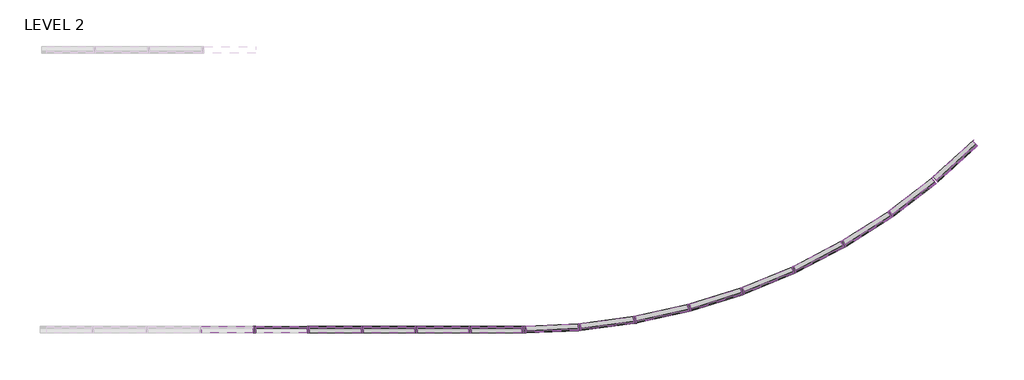
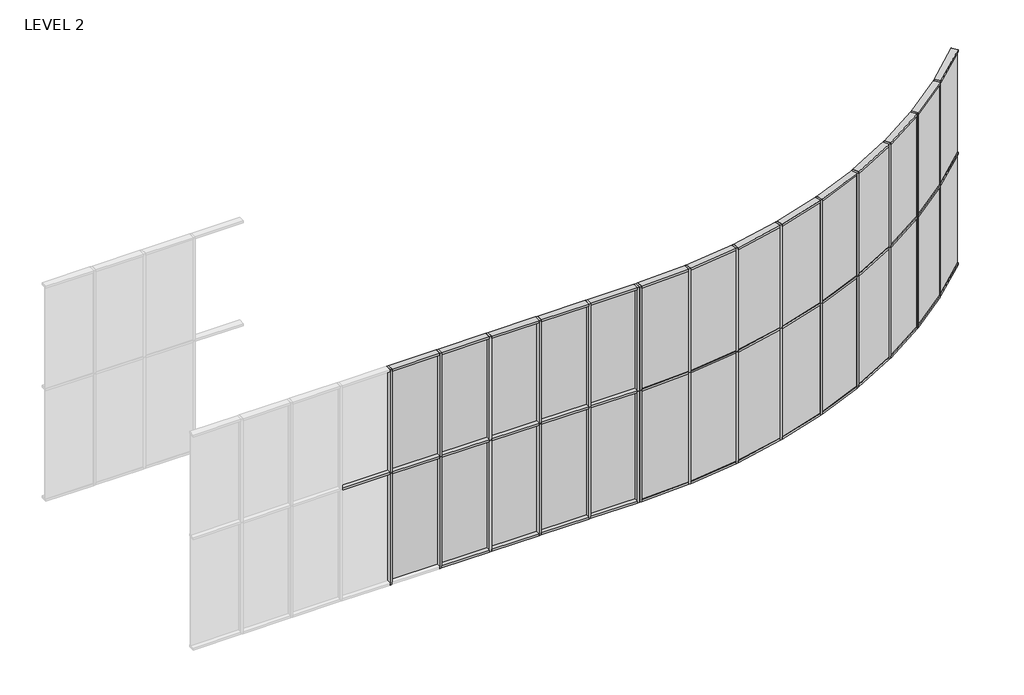
# One storey, part 5 of 16: 70 members, 28 plates.
"""IFC4 building model written with IfcOpenShell, lengths in millimetres."""

import ifcopenshell
import ifcopenshell.guid

model = None  # the IFC model being written
_history = None  # IfcOwnerHistory: only IFC2X3 demands one
_inside = {}  # id of a spatial element -> (the spatial element, [elements in it])
_under = {}  # id of a project, library or spatial element -> (it, [spatial elements below it])
_declared = {}  # id of a project -> (the project, [libraries it declares])
_typed = {}  # id of a type object -> (the type object, [elements of that type])
_made_of = {}  # id of a material, layer set ... -> (it, [elements and type objects made of it])


def new_model(schema):
    """Start an empty IFC model of exactly this schema.

    Asked for "IFC4X3", IfcOpenShell would pick the latest addendum, in which some entities
    have other attributes; the version numbers below select the first issue.
    IFC2X3 requires an IfcOwnerHistory on every rooted entity: one is made here for all.
    """
    global model, _history
    if schema == "IFC4X3":
        model = ifcopenshell.file(schema_version=(4, 3, 0, 0))
    else:
        model = ifcopenshell.file(schema=schema)
    _inside.clear()
    _under.clear()
    _declared.clear()
    _typed.clear()
    _made_of.clear()
    _history = None
    if model.schema == "IFC2X3":
        org = make("IfcOrganization", Name="unknown")
        user = make(
            "IfcPersonAndOrganization",
            ThePerson=make("IfcPerson", FamilyName="unknown"),
            TheOrganization=org,
        )
        app = make(
            "IfcApplication",
            ApplicationDeveloper=org,
            Version="unknown",
            ApplicationFullName="unknown",
            ApplicationIdentifier="unknown",
        )
        _history = make(
            "IfcOwnerHistory",
            OwningUser=user,
            OwningApplication=app,
            ChangeAction="ADDED",
            CreationDate=0,
        )
    return model


def make(cls, **values):
    """One entity of the class cls with the attributes given. An attribute that is None is left unset."""
    return model.create_entity(
        cls, **{name: value for name, value in values.items() if value is not None}
    )


def rooted(cls, **values):
    """An entity with a GlobalId (a new one), such as an element, a storey or a relation."""
    return make(cls, GlobalId=ifcopenshell.guid.new(), OwnerHistory=_history, **values)


def si_unit(unit_type, name, prefix=None):
    """IfcSIUnit, for example si_unit("LENGTHUNIT", "METRE", prefix="MILLI")."""
    return make("IfcSIUnit", UnitType=unit_type, Prefix=prefix, Name=name)


def assignment(units):
    """IfcUnitAssignment: the units of a project."""
    return None if units is None else make("IfcUnitAssignment", Units=units)


def point(xyz):
    """IfcCartesianPoint."""
    return None if xyz is None else make("IfcCartesianPoint", Coordinates=xyz)


def direction(xyz):
    """IfcDirection."""
    return None if xyz is None else make("IfcDirection", DirectionRatios=xyz)


def frame(location, z_axis=None, x_axis=None):
    """IfcAxis2Placement3D, a coordinate frame: its origin and axes. An axis left out is left unset."""
    return make(
        "IfcAxis2Placement3D",
        Location=point(location),
        Axis=direction(z_axis),
        RefDirection=direction(x_axis),
    )


def origin():
    """The frame at (0, 0, 0) with its axes left unset."""
    return frame((0.0, 0.0, 0.0))


def origin_with_axes():
    """The frame at (0, 0, 0) with the z axis (0, 0, 1) and the x axis (1, 0, 0) written out."""
    return frame((0.0, 0.0, 0.0), z_axis=(0.0, 0.0, 1.0), x_axis=(1.0, 0.0, 0.0))


def place(relative_to, where):
    """IfcLocalPlacement: puts the frame where relative to a parent placement (None: the world)."""
    return make(
        "IfcLocalPlacement", PlacementRelTo=relative_to, RelativePlacement=where
    )


def context(
    kind, dimensions, precision=None, world=None, true_north=None, identifier=None
):
    """IfcGeometricRepresentationContext, for example the 3D "Model" context."""
    return make(
        "IfcGeometricRepresentationContext",
        ContextIdentifier=identifier,
        ContextType=kind,
        CoordinateSpaceDimension=dimensions,
        Precision=precision,
        WorldCoordinateSystem=world,
        TrueNorth=true_north,
    )


def project(units=None, contexts=None):
    """IfcProject with its units and contexts."""
    return rooted(
        "IfcProject",
        Name="project",
        RepresentationContexts=contexts,
        UnitsInContext=assignment(units),
    )


def spatial(cls, under=None, at=None, **own):
    """A site, building, storey or space (cls), placed at a placement, below another one or the project."""
    s = rooted(cls, ObjectPlacement=at, **own)
    if under is not None:
        _under.setdefault(under.id(), (under, []))[1].append(s)
    return s


def polyline(points):
    """IfcPolyline through the points."""
    return make("IfcPolyline", Points=[point(p) for p in points])


def outline(outer, holes=None, kind="AREA"):
    """IfcArbitraryClosedProfileDef: a profile drawn as a closed curve; with holes, ...WithVoids."""
    if holes is None:
        return make("IfcArbitraryClosedProfileDef", ProfileType=kind, OuterCurve=outer)
    return make(
        "IfcArbitraryProfileDefWithVoids",
        ProfileType=kind,
        OuterCurve=outer,
        InnerCurves=holes,
    )


def extrude(swept, where, along, depth):
    """IfcExtrudedAreaSolid: the profile swept, set in the frame where, extruded along a direction by depth."""
    return make(
        "IfcExtrudedAreaSolid",
        SweptArea=swept,
        Position=where,
        ExtrudedDirection=direction(along),
        Depth=depth,
    )


def faces_of(points, faces, orient=None, outer=None):
    """IfcFace entities. A face is a list of loops; a loop is a list of indices into points, from 0.

    orient and outer hold one flag for each loop. By default every Orientation is true, the
    first loop of a face is its IfcFaceOuterBound and the others are IfcFaceBound.
    """
    made = []
    for i, loops in enumerate(faces):
        bounds = []
        for j, loop in enumerate(loops):
            is_outer = j == 0 if outer is None else outer[i][j]
            bounds.append(
                make(
                    "IfcFaceOuterBound" if is_outer else "IfcFaceBound",
                    Bound=make("IfcPolyLoop", Polygon=[points[k] for k in loop]),
                    Orientation=True if orient is None else orient[i][j],
                )
            )
        made.append(make("IfcFace", Bounds=bounds))
    return made


def faceted_brep(points, faces, orient=None, outer=None, voids=None):
    """IfcFacetedBrep: a solid bounded by flat faces; with voids (closed shells), ...WithVoids."""
    shared = [point(p) for p in points]
    hull = make("IfcClosedShell", CfsFaces=faces_of(shared, faces, orient, outer))
    if voids is None:
        return make("IfcFacetedBrep", Outer=hull)
    return make(
        "IfcFacetedBrepWithVoids",
        Outer=hull,
        Voids=[
            make(cls, CfsFaces=faces_of(shared, fs, o, b)) for cls, fs, o, b in voids
        ],
    )


def shape(context_of_items, identifier, shape_type, items):
    """IfcShapeRepresentation: the items that make up one representation, for example the "Body"."""
    return make(
        "IfcShapeRepresentation",
        ContextOfItems=context_of_items,
        RepresentationIdentifier=identifier,
        RepresentationType=shape_type,
        Items=items,
    )


def source(mapping_origin, context_of_items, identifier, shape_type, items):
    """IfcRepresentationMap: a shape defined once, which mapped items show again and again."""
    return make(
        "IfcRepresentationMap",
        MappingOrigin=mapping_origin,
        MappedRepresentation=shape(context_of_items, identifier, shape_type, items),
    )


def transform(
    local_origin,
    x_axis=None,
    y_axis=None,
    z_axis=None,
    scale=None,
    scale2=None,
    scale3=None,
    uniform=True,
):
    """IfcCartesianTransformationOperator3D, or its non-uniform kind. x_axis, y_axis, z_axis: its Axis1, 2, 3."""
    if uniform:
        return make(
            "IfcCartesianTransformationOperator3D",
            Axis1=direction(x_axis),
            Axis2=direction(y_axis),
            LocalOrigin=point(local_origin),
            Scale=scale,
            Axis3=direction(z_axis),
        )
    return make(
        "IfcCartesianTransformationOperator3DnonUniform",
        Axis1=direction(x_axis),
        Axis2=direction(y_axis),
        LocalOrigin=point(local_origin),
        Scale=scale,
        Axis3=direction(z_axis),
        Scale2=scale2,
        Scale3=scale3,
    )


def mapped(mapping_source, mapping_target):
    """IfcMappedItem: shows the shape of a source again, moved by a transform."""
    return make(
        "IfcMappedItem", MappingSource=mapping_source, MappingTarget=mapping_target
    )


def made_of(thing, what):
    """Note that an element or type object is made of a material, layer set ...; save() writes the relation."""
    if what is not None:
        _made_of.setdefault(what.id(), (what, []))[1].append(thing)
    return thing


def element(
    cls,
    number,
    at=None,
    inside=None,
    cuts=None,
    type_object=None,
    material=None,
    context=None,
    identifier="Body",
    shape_type=None,
    held_by="IfcProductDefinitionShape",
    body=None,
    shapes=None,
    **own,
):
    """One element of the class cls, such as IfcWall. Its Tag is "e" and its number.

    at: its placement. inside: the storey or other place that contains it. cuts: it is an
    opening in that element (IfcRelVoidsElement). A single representation is given by context,
    identifier, shape_type and body (its items); several are given by shapes. held_by: the class
    of the entity that holds the representations. save() writes the other relations.
    """
    e = rooted(cls, Tag="e%d" % number, ObjectPlacement=at, **own)
    if body is not None:
        shapes = [shape(context, identifier, shape_type, body)]
    if shapes is not None:
        e.Representation = make(held_by, Representations=shapes)
    if inside is not None:
        _inside.setdefault(inside.id(), (inside, []))[1].append(e)
    if cuts is not None:
        rooted(
            "IfcRelVoidsElement", RelatingBuildingElement=cuts, RelatedOpeningElement=e
        )
    if type_object is not None:
        _typed.setdefault(type_object.id(), (type_object, []))[1].append(e)
    return made_of(e, material)


def aggregate(whole, parts):
    """IfcRelAggregates: a whole, such as a stair, and the parts it consists of."""
    return rooted("IfcRelAggregates", RelatingObject=whole, RelatedObjects=parts)


def save(model, path):
    """Write the relations noted so far, then the file.

    IfcRelAggregates (storeys below a building ...), IfcRelContainedInSpatialStructure (elements
    in a storey), IfcRelDefinesByType, IfcRelAssociatesMaterial and IfcRelDeclares: one each for
    every whole, place, type object, material and project.
    """
    for whole, parts in _under.values():
        aggregate(whole, parts)
    for where, things in _inside.values():
        rooted(
            "IfcRelContainedInSpatialStructure",
            RelatedElements=things,
            RelatingStructure=where,
        )
    for kind, things in _typed.values():
        rooted("IfcRelDefinesByType", RelatedObjects=things, RelatingType=kind)
    for what, things in _made_of.values():
        rooted("IfcRelAssociatesMaterial", RelatedObjects=things, RelatingMaterial=what)
    for by, libraries in _declared.values():
        rooted("IfcRelDeclares", RelatingContext=by, RelatedDefinitions=libraries)
    model.write(path)


def member_20b68123(model_context):
    return source(origin(), model_context, "Body", "SweptSolid", [
        extrude(outline(polyline([(19.05, 57.15), (19.05, -57.15), (-19.05, -57.15), (-19.05, 57.15), (19.05, 57.15)])), frame((0.0, 0.0, -2133.6), z_axis=(0.0, 0.0, 1.0), x_axis=(1.0, 0.0, 0.0)), (0.0, 0.0, 1.0), 2133.6),
    ])


def member_93bd2cc1(model_context):
    return source(origin(), model_context, "Body", "SweptSolid", [
        extrude(outline(polyline([(0.0, 57.15), (0.0, -57.15), (-38.1, -57.15), (-38.1, 57.15), (0.0, 57.15)])), frame((0.0, 0.0, -2133.6), z_axis=(0.0, 0.0, 1.0), x_axis=(1.0, 0.0, 0.0)), (0.0, 0.0, 1.0), 2133.6),
    ])


def member_2f7a45a5(model_context):
    return source(origin(), model_context, "Body", "SweptSolid", [
        extrude(outline(polyline([(19.05, 57.15), (19.05, -57.15), (-19.05, -57.15), (-19.05, 57.15), (19.05, 57.15)])), frame((0.0, 0.0, -1981.2), z_axis=(0.0, 0.0, 1.0), x_axis=(1.0, 0.0, 0.0)), (0.0, 0.0, 1.0), 1981.2),
    ])


def member_5928fb24(model_context):
    return source(origin(), model_context, "Body", "SweptSolid", [
        extrude(outline(polyline([(0.0, 57.15), (0.0, -57.15), (-38.1, -57.15), (-38.1, 57.15), (0.0, 57.15)])), frame((0.0, 0.0, -1981.2), z_axis=(0.0, 0.0, 1.0), x_axis=(1.0, 0.0, 0.0)), (0.0, 0.0, 1.0), 1981.2),
    ])


def member_11093bfb(model_context):
    return source(origin(), model_context, "Body", "SweptSolid", [
        extrude(outline(polyline([(-57.15, 0.0), (57.15, 0.0), (57.15, -891.3162314), (56.2646565, -871.0385322), (-57.15, -875.9903231), (-57.15, 0.0)])), frame((-38.1, 0.0, 0.0), z_axis=(1.0, 0.0, 0.0), x_axis=(0.0, 1.0, 0.0)), (0.0, 0.0, 1.0), 38.1),
    ])


def member_e831dd52(model_context):
    return source(origin(), model_context, "Body", "SweptSolid", [
        extrude(outline(polyline([(-57.15, 2.4770742), (56.2646565, -2.4747166), (57.15, 17.8029826), (57.15, -910.3662314), (56.2646565, -890.0885322), (-57.15, -895.0403231), (-57.15, 2.4770742)])), frame((-38.1, 0.0, 0.0), z_axis=(1.0, 0.0, 0.0), x_axis=(0.0, 1.0, 0.0)), (0.0, 0.0, 1.0), 38.1),
    ])


def member_f152665a(model_context):
    return source(origin(), model_context, "Body", "SweptSolid", [
        extrude(outline(polyline([(-57.15, 2.4770742), (56.2646565, -2.4747166), (57.15, 17.8029826), (57.15, -873.5132488), (-57.15, -873.5132488), (-57.15, 2.4770742)])), frame((-38.1, 0.0, 0.0), z_axis=(1.0, 0.0, 0.0), x_axis=(0.0, 1.0, 0.0)), (0.0, 0.0, 1.0), 38.1),
    ])


def member_7a610633(model_context):
    return source(origin(), model_context, "Body", "Brep", [
        faceted_brep([(-19.05, 57.15, 17.8029826), (0.0, 57.15, 17.8029826), (19.05, 57.15, 17.8029826), (19.05, 57.15, -910.3662314), (0.0, 57.15, -910.3662314), (-19.05, 57.15, -910.3662314), (-19.05, -57.15, 2.4770742), (-19.05, 56.2646565, -2.4747166), (-19.05, 56.2646565, -890.0885322), (-19.05, -57.15, -895.0403231), (19.05, -57.15, 2.4770742), (0.0, -57.15, 2.4770742), (0.0, -57.15, -895.0403231), (19.05, -57.15, -895.0403231), (19.05, 56.2646565, -2.4747166), (19.05, 56.2646565, -890.0885322), (0.0, 56.2646565, -2.4747166), (0.0, 56.2646565, -890.0885322)], [[[0, 1, 2, 3, 4, 5]], [[6, 7, 0, 5, 8, 9]], [[10, 11, 6, 9, 12, 13]], [[2, 14, 10, 13, 15, 3]], [[2, 1, 16, 14]], [[1, 0, 7, 16]], [[7, 6, 11, 16]], [[11, 10, 14, 16]], [[3, 15, 17, 4]], [[15, 13, 12, 17]], [[12, 9, 8, 17]], [[8, 5, 4, 17]]]),
    ])


def member_5313ab74(model_context):
    return source(origin(), model_context, "Body", "Brep", [
        faceted_brep([(19.05, 57.15, 0.0), (-19.05, 57.15, 0.0), (-19.05, -57.15, 0.0), (19.05, -57.15, 0.0), (19.05, 57.15, -891.3162314), (0.0, 57.15, -891.3162314), (-19.05, 57.15, -891.3162314), (-19.05, 56.2646565, -871.0385322), (-19.05, -57.15, -875.9903231), (0.0, -57.15, -875.9903231), (19.05, -57.15, -875.9903231), (19.05, 56.2646565, -871.0385322), (0.0, 56.2646565, -871.0385322)], [[[0, 1, 2, 3]], [[1, 0, 4, 5, 6]], [[2, 1, 6, 7, 8]], [[3, 2, 8, 9, 10]], [[0, 3, 10, 11, 4]], [[4, 11, 12, 5]], [[11, 10, 9, 12]], [[9, 8, 7, 12]], [[7, 6, 5, 12]]]),
    ])


def member_4ec198a1(model_context):
    return source(origin(), model_context, "Body", "SweptSolid", [
        extrude(outline(polyline([(0.0, 57.15), (0.0, -57.15), (-38.1, -57.15), (-38.1, 57.15), (0.0, 57.15)])), frame((0.0, 0.0, -842.1169147), z_axis=(0.0, 0.0, 1.0), x_axis=(1.0, 0.0, 0.0)), (0.0, 0.0, 1.0), 842.1169147),
    ])


def member_e6e2c493(model_context):
    return source(origin(), model_context, "Body", "SweptSolid", [
        extrude(outline(polyline([(0.0, 57.15), (0.0, -57.15), (-38.1, -57.15), (-38.1, 57.15), (0.0, 57.15)])), frame((0.0, 0.0, -861.1669147), z_axis=(0.0, 0.0, 1.0), x_axis=(1.0, 0.0, 0.0)), (0.0, 0.0, 1.0), 861.1669147),
    ])


def member_32cdfbda(model_context):
    return source(origin(), model_context, "Body", "SweptSolid", [
        extrude(outline(polyline([(19.05, 57.15), (19.05, -57.15), (-19.05, -57.15), (-19.05, 57.15), (19.05, 57.15)])), frame((0.0, 0.0, -842.1169147), z_axis=(0.0, 0.0, 1.0), x_axis=(1.0, 0.0, 0.0)), (0.0, 0.0, 1.0), 842.1169147),
    ])


def member_158e84af(model_context):
    return source(origin(), model_context, "Body", "SweptSolid", [
        extrude(outline(polyline([(19.05, 57.15), (19.05, -57.15), (-19.05, -57.15), (-19.05, 57.15), (19.05, 57.15)])), frame((0.0, 0.0, -861.1669147), z_axis=(0.0, 0.0, 1.0), x_axis=(1.0, 0.0, 0.0)), (0.0, 0.0, 1.0), 861.1669147),
    ])


def system_panel_glazed_23d25534(model_context):
    return source(origin(), model_context, "Body", "SweptSolid", [
        extrude(outline(polyline([(436.7566244, 19.05), (-436.7566244, 19.05), (-436.7566244, 44.45), (436.7566244, 44.45), (436.7566244, 19.05)])), origin_with_axes(), (0.0, 0.0, 1.0), 2076.45),
    ])


def system_panel_glazed_475435c1(model_context):
    return source(origin(), model_context, "Body", "SweptSolid", [
        extrude(outline(polyline([(446.2816244, 19.05), (-446.2816244, 19.05), (-446.2816244, 44.45), (446.2816244, 44.45), (446.2816244, 19.05)])), origin_with_axes(), (0.0, 0.0, 1.0), 2076.45),
    ])


def system_panel_glazed_47734797(model_context):
    return source(origin(), model_context, "Body", "SweptSolid", [
        extrude(outline(polyline([(436.7566244, 19.05), (-436.7566244, 19.05), (-436.7566244, 44.45), (436.7566244, 44.45), (436.7566244, 19.05)])), origin_with_axes(), (0.0, 0.0, 1.0), 1924.05),
    ])


def system_panel_glazed_058de248(model_context):
    return source(origin(), model_context, "Body", "SweptSolid", [
        extrude(outline(polyline([(446.2816244, 19.05), (-446.2816244, 19.05), (-446.2816244, 44.45), (446.2816244, 44.45), (446.2816244, 19.05)])), origin_with_axes(), (0.0, 0.0, 1.0), 1924.05),
    ])


def system_panel_glazed_46ad0ba9(model_context):
    return source(origin(), model_context, "Body", "SweptSolid", [
        extrude(outline(polyline([(421.0584573, 19.05), (-421.0584573, 19.05), (-421.0584573, 44.45), (421.0584573, 44.45), (421.0584573, 19.05)])), origin_with_axes(), (0.0, 0.0, 1.0), 2076.45),
    ])


def system_panel_glazed_39d7c801(model_context):
    return source(origin(), model_context, "Body", "SweptSolid", [
        extrude(outline(polyline([(430.5834573, 19.05), (-430.5834573, 19.05), (-430.5834573, 44.45), (430.5834573, 44.45), (430.5834573, 19.05)])), origin_with_axes(), (0.0, 0.0, 1.0), 2076.45),
    ])


def system_panel_glazed_87e301de(model_context):
    return source(origin(), model_context, "Body", "SweptSolid", [
        extrude(outline(polyline([(421.0584573, 19.05), (-421.0584573, 19.05), (-421.0584573, 44.45), (421.0584573, 44.45), (421.0584573, 19.05)])), origin_with_axes(), (0.0, 0.0, 1.0), 1924.05),
    ])


def system_panel_glazed_8509a62c(model_context):
    return source(origin(), model_context, "Body", "SweptSolid", [
        extrude(outline(polyline([(430.5834573, 19.05), (-430.5834573, 19.05), (-430.5834573, 44.45), (430.5834573, 44.45), (430.5834573, 19.05)])), origin_with_axes(), (0.0, 0.0, 1.0), 1924.05),
    ])


model = new_model("IFC4")

# Units and contexts
model_context = context("Model", 3, world=origin())
ifc_project = project(units=[si_unit("LENGTHUNIT", "METRE", prefix="MILLI")], contexts=[model_context])

# Site, building, storey
site = spatial("IfcSite", under=ifc_project)
building = spatial("IfcBuilding", under=site)
storey = spatial("IfcBuildingStorey", under=building, Name="LEVEL 2", Elevation=4267.2)

# Members
placement = place(None, origin())
member_shape = member_20b68123(model_context)
element("IfcMember", 1, ObjectType="Rectangular Mullion : 1.5\" x 2.5\" rectangular", at=placement, inside=storey, context=model_context, shape_type="MappedRepresentation", body=[
    mapped(member_shape, transform((256726.9434531, -571122.9627525, 4267.2), x_axis=(1.0, 0.0, 0.0), y_axis=(0.0, -1.0, 0.0), z_axis=(0.0, 0.0, -1.0))),
])
element("IfcMember", 2, ObjectType="Rectangular Mullion : 1.5\" x 2.5\" rectangular", at=placement, inside=storey, context=model_context, shape_type="MappedRepresentation", body=[
    mapped(member_shape, transform((257626.2103678, -571122.9627525, 4267.2), x_axis=(1.0, 0.0, 0.0), y_axis=(0.0, -1.0, 0.0), z_axis=(0.0, 0.0, -1.0))),
])
element("IfcMember", 3, ObjectType="Rectangular Mullion : 1.5\" x 2.5\" rectangular", at=placement, inside=storey, context=model_context, shape_type="MappedRepresentation", body=[
    mapped(member_shape, transform((258525.4772825, -571122.9627525, 4267.2), x_axis=(1.0, 0.0, 0.0), y_axis=(0.0, -1.0, 0.0), z_axis=(0.0, 0.0, -1.0))),
])
element("IfcMember", 4, ObjectType="Rectangular Mullion : 1.5\" x 2.5\" rectangular", at=placement, inside=storey, context=model_context, shape_type="MappedRepresentation", body=[
    mapped(member_shape, transform((259424.7441972, -571122.9627525, 4267.2), x_axis=(1.0, 0.0, 0.0), y_axis=(0.0, -1.0, 0.0), z_axis=(0.0, 0.0, -1.0))),
])
element("IfcMember", 5, ObjectType="Rectangular Mullion : 1.5\" x 2.5\" rectangular", at=placement, inside=storey, context=model_context, shape_type="MappedRepresentation", body=[
    mapped(member_shape, transform((260324.0111118, -571122.9627525, 4267.2), x_axis=(1.0, 0.0, 0.0), y_axis=(0.0, -1.0, 0.0), z_axis=(0.0, 0.0, -1.0))),
])
element("IfcMember", 6, ObjectType="Rectangular Mullion : 1.5\" x 2.5\" rectangular", at=placement, inside=storey, context=model_context, shape_type="MappedRepresentation", body=[
    mapped(member_shape, transform((267342.1914495, -569193.676761, 4267.2), x_axis=(-0.8191520442889964, -0.5735764363510395, 0.0), y_axis=(-0.5735764363510395, 0.8191520442889964, 0.0), z_axis=(0.0, 0.0, -1.0))),
])
element("IfcMember", 7, ObjectType="Rectangular Mullion : 1.5\" x 2.5\" rectangular", at=placement, inside=storey, context=model_context, shape_type="MappedRepresentation", body=[
    mapped(member_shape, transform((266557.2780265, -569693.7217601, 4267.2), x_axis=(-0.8660254037844439, -0.49999999999999084, 0.0), y_axis=(-0.49999999999999084, 0.8660254037844439, 0.0), z_axis=(0.0, 0.0, -1.0))),
])
element("IfcMember", 8, ObjectType="Rectangular Mullion : 1.5\" x 2.5\" rectangular", at=placement, inside=storey, context=model_context, shape_type="MappedRepresentation", body=[
    mapped(member_shape, transform((265731.7696428, -570123.4542246, 4267.2), x_axis=(-0.9063077870366533, -0.4226182617406924, 0.0), y_axis=(-0.4226182617406924, 0.9063077870366533, 0.0), z_axis=(0.0, 0.0, -1.0))),
])
element("IfcMember", 9, ObjectType="Rectangular Mullion : 1.5\" x 2.5\" rectangular", at=placement, inside=storey, context=model_context, shape_type="MappedRepresentation", body=[
    mapped(member_shape, transform((264871.9489155, -570479.603631, 4267.2), x_axis=(-0.9396926207859108, -0.34202014332566233, 0.0), y_axis=(-0.34202014332566233, 0.9396926207859108, 0.0), z_axis=(0.0, 0.0, -1.0))),
])
element("IfcMember", 10, ObjectType="Rectangular Mullion : 1.5\" x 2.5\" rectangular", at=placement, inside=storey, context=model_context, shape_type="MappedRepresentation", body=[
    mapped(member_shape, transform((263984.3595997, -570759.4594673, 4267.2), x_axis=(-0.9659258262890712, -0.25881904510250997, 0.0), y_axis=(-0.25881904510250997, 0.9659258262890712, 0.0), z_axis=(0.0, 0.0, -1.0))),
])
element("IfcMember", 11, ObjectType="Rectangular Mullion : 1.5\" x 2.5\" rectangular", at=placement, inside=storey, context=model_context, shape_type="MappedRepresentation", body=[
    mapped(member_shape, transform((263075.7567859, -570960.8918616, 4267.2), x_axis=(-0.9848077530122101, -0.1736481776669186, 0.0), y_axis=(-0.1736481776669186, 0.9848077530122101, 0.0), z_axis=(0.0, 0.0, -1.0))),
])
element("IfcMember", 12, ObjectType="Rectangular Mullion : 1.5\" x 2.5\" rectangular", at=placement, inside=storey, context=model_context, shape_type="MappedRepresentation", body=[
    mapped(member_shape, transform((262153.0554902, -571082.3677917, 4267.2), x_axis=(-0.9961946980917467, -0.0871557427476455, 0.0), y_axis=(-0.0871557427476455, 0.9961946980917467, 0.0), z_axis=(0.0, 0.0, -1.0))),
])
member_2_shape = member_93bd2cc1(model_context)
element("IfcMember", 13, ObjectType="Rectangular Mullion : 1.5\" x 2.5\" rectangular", at=placement, inside=storey, context=model_context, shape_type="MappedRepresentation", body=[
    mapped(member_2_shape, transform((261223.2780265, -571122.9627525, 4267.2), x_axis=(1.0, 0.0, 0.0), y_axis=(0.0, -1.0, 0.0), z_axis=(0.0, 0.0, -1.0))),
])
element("IfcMember", 14, ObjectType="Rectangular Mullion : 1.5\" x 2.5\" rectangular", at=placement, inside=storey, context=model_context, shape_type="MappedRepresentation", body=[
    mapped(member_2_shape, transform((261223.2780265, -571122.9627525, 4267.2), x_axis=(-0.9990482215818588, -0.04361938736531409, 0.0), y_axis=(-0.04361938736531409, 0.9990482215818588, 0.0), z_axis=(0.0, 0.0, -1.0))),
])
member_3_shape = member_2f7a45a5(model_context)
element("IfcMember", 15, ObjectType="Rectangular Mullion : 1.5\" x 2.5\" rectangular", at=placement, inside=storey, context=model_context, shape_type="MappedRepresentation", body=[
    mapped(member_3_shape, transform((256726.9434531, -571122.9627525, 6400.8), x_axis=(1.0, 0.0, 0.0), y_axis=(0.0, -1.0, 0.0), z_axis=(0.0, 0.0, -1.0))),
])
element("IfcMember", 16, ObjectType="Rectangular Mullion : 1.5\" x 2.5\" rectangular", at=placement, inside=storey, context=model_context, shape_type="MappedRepresentation", body=[
    mapped(member_3_shape, transform((257626.2103678, -571122.9627525, 6400.8), x_axis=(1.0, 0.0, 0.0), y_axis=(0.0, -1.0, 0.0), z_axis=(0.0, 0.0, -1.0))),
])
element("IfcMember", 17, ObjectType="Rectangular Mullion : 1.5\" x 2.5\" rectangular", at=placement, inside=storey, context=model_context, shape_type="MappedRepresentation", body=[
    mapped(member_3_shape, transform((258525.4772825, -571122.9627525, 6400.8), x_axis=(1.0, 0.0, 0.0), y_axis=(0.0, -1.0, 0.0), z_axis=(0.0, 0.0, -1.0))),
])
element("IfcMember", 18, ObjectType="Rectangular Mullion : 1.5\" x 2.5\" rectangular", at=placement, inside=storey, context=model_context, shape_type="MappedRepresentation", body=[
    mapped(member_3_shape, transform((259424.7441972, -571122.9627525, 6400.8), x_axis=(1.0, 0.0, 0.0), y_axis=(0.0, -1.0, 0.0), z_axis=(0.0, 0.0, -1.0))),
])
element("IfcMember", 19, ObjectType="Rectangular Mullion : 1.5\" x 2.5\" rectangular", at=placement, inside=storey, context=model_context, shape_type="MappedRepresentation", body=[
    mapped(member_3_shape, transform((260324.0111118, -571122.9627525, 6400.8), x_axis=(1.0, 0.0, 0.0), y_axis=(0.0, -1.0, 0.0), z_axis=(0.0, 0.0, -1.0))),
])
element("IfcMember", 20, ObjectType="Rectangular Mullion : 1.5\" x 2.5\" rectangular", at=placement, inside=storey, context=model_context, shape_type="MappedRepresentation", body=[
    mapped(member_3_shape, transform((267342.1914495, -569193.676761, 6400.8), x_axis=(-0.8191520442889964, -0.5735764363510395, 0.0), y_axis=(-0.5735764363510395, 0.8191520442889964, 0.0), z_axis=(0.0, 0.0, -1.0))),
])
element("IfcMember", 21, ObjectType="Rectangular Mullion : 1.5\" x 2.5\" rectangular", at=placement, inside=storey, context=model_context, shape_type="MappedRepresentation", body=[
    mapped(member_3_shape, transform((266557.2780265, -569693.7217601, 6400.8), x_axis=(-0.8660254037844439, -0.49999999999999084, 0.0), y_axis=(-0.49999999999999084, 0.8660254037844439, 0.0), z_axis=(0.0, 0.0, -1.0))),
])
element("IfcMember", 22, ObjectType="Rectangular Mullion : 1.5\" x 2.5\" rectangular", at=placement, inside=storey, context=model_context, shape_type="MappedRepresentation", body=[
    mapped(member_3_shape, transform((265731.7696428, -570123.4542246, 6400.8), x_axis=(-0.9063077870366544, -0.42261826174068995, 0.0), y_axis=(-0.42261826174068995, 0.9063077870366544, 0.0), z_axis=(0.0, 0.0, -1.0))),
])
element("IfcMember", 23, ObjectType="Rectangular Mullion : 1.5\" x 2.5\" rectangular", at=placement, inside=storey, context=model_context, shape_type="MappedRepresentation", body=[
    mapped(member_3_shape, transform((264871.9489155, -570479.603631, 6400.8), x_axis=(-0.9396926207859108, -0.34202014332566233, 0.0), y_axis=(-0.34202014332566233, 0.9396926207859108, 0.0), z_axis=(0.0, 0.0, -1.0))),
])
element("IfcMember", 24, ObjectType="Rectangular Mullion : 1.5\" x 2.5\" rectangular", at=placement, inside=storey, context=model_context, shape_type="MappedRepresentation", body=[
    mapped(member_3_shape, transform((263984.3595997, -570759.4594673, 6400.8), x_axis=(-0.9659258262890702, -0.2588190451025134, 0.0), y_axis=(-0.2588190451025134, 0.9659258262890702, 0.0), z_axis=(0.0, 0.0, -1.0))),
])
element("IfcMember", 25, ObjectType="Rectangular Mullion : 1.5\" x 2.5\" rectangular", at=placement, inside=storey, context=model_context, shape_type="MappedRepresentation", body=[
    mapped(member_3_shape, transform((263075.7567859, -570960.8918616, 6400.8), x_axis=(-0.9848077530122101, -0.1736481776669186, 0.0), y_axis=(-0.1736481776669186, 0.9848077530122101, 0.0), z_axis=(0.0, 0.0, -1.0))),
])
element("IfcMember", 26, ObjectType="Rectangular Mullion : 1.5\" x 2.5\" rectangular", at=placement, inside=storey, context=model_context, shape_type="MappedRepresentation", body=[
    mapped(member_3_shape, transform((262153.0554902, -571082.3677917, 6400.8), x_axis=(-0.9961946980917467, -0.0871557427476455, 0.0), y_axis=(-0.0871557427476455, 0.9961946980917467, 0.0), z_axis=(0.0, 0.0, -1.0))),
])
member_4_shape = member_5928fb24(model_context)
element("IfcMember", 27, ObjectType="Rectangular Mullion : 1.5\" x 2.5\" rectangular", at=placement, inside=storey, context=model_context, shape_type="MappedRepresentation", body=[
    mapped(member_4_shape, transform((261223.2780265, -571122.9627525, 6400.8), x_axis=(1.0, 0.0, 0.0), y_axis=(0.0, -1.0, 0.0), z_axis=(0.0, 0.0, -1.0))),
])
element("IfcMember", 28, ObjectType="Rectangular Mullion : 1.5\" x 2.5\" rectangular", at=placement, inside=storey, context=model_context, shape_type="MappedRepresentation", body=[
    mapped(member_4_shape, transform((261223.2780265, -571122.9627525, 6400.8), x_axis=(-0.9990482215818588, -0.04361938736531409, 0.0), y_axis=(-0.04361938736531409, 0.9990482215818588, 0.0), z_axis=(0.0, 0.0, -1.0))),
])
member_5_shape = member_11093bfb(model_context)
element("IfcMember", 29, ObjectType="Rectangular Mullion : 1.5\" x 2.5\" rectangular", at=placement, inside=storey, context=model_context, shape_type="MappedRepresentation", body=[
    mapped(member_5_shape, transform((261261.3417638, -571121.3008538, 8382.0), x_axis=(0.0, 0.0, 1.0), y_axis=(-0.04361938736531409, 0.9990482215818588, 0.0), z_axis=(-0.9990482215818588, -0.04361938736531409, 0.0))),
])
member_6_shape = member_e831dd52(model_context)
element("IfcMember", 30, ObjectType="Rectangular Mullion : 1.5\" x 2.5\" rectangular", at=placement, inside=storey, context=model_context, shape_type="MappedRepresentation", body=[
    mapped(member_6_shape, transform((268094.58138, -568614.2548782, 8382.0), x_axis=(0.0, 0.0, 1.0), y_axis=(-0.6755902076156751, 0.7372773368101104, 0.0), z_axis=(-0.7372773368101104, -0.6755902076156751, 0.0))),
])
element("IfcMember", 31, ObjectType="Rectangular Mullion : 1.5\" x 2.5\" rectangular", at=placement, inside=storey, context=model_context, shape_type="MappedRepresentation", body=[
    mapped(member_6_shape, transform((267357.3048307, -569182.0798557, 8382.0), x_axis=(0.0, 0.0, 1.0), y_axis=(-0.6087614290087274, 0.7933533402912301, 0.0), z_axis=(-0.79335334029123, -0.6087614290087273, 0.0))),
])
element("IfcMember", 32, ObjectType="Rectangular Mullion : 1.5\" x 2.5\" rectangular", at=placement, inside=storey, context=model_context, shape_type="MappedRepresentation", body=[
    mapped(member_6_shape, transform((266573.3446336, -569683.4862025, 8382.0), x_axis=(0.0, 0.0, 1.0), y_axis=(-0.5372996083467887, 0.8433914458129081, 0.0), z_axis=(-0.8433914458129081, -0.5372996083467887, 0.0))),
])
element("IfcMember", 33, ObjectType="Rectangular Mullion : 1.5\" x 2.5\" rectangular", at=placement, inside=storey, context=model_context, shape_type="MappedRepresentation", body=[
    mapped(member_6_shape, transform((265748.6671992, -570114.6579135, 8382.0), x_axis=(0.0, 0.0, 1.0), y_axis=(-0.46174861323501615, 0.887010833178231, 0.0), z_axis=(-0.887010833178231, -0.46174861323501615, 0.0))),
])
element("IfcMember", 34, ObjectType="Rectangular Mullion : 1.5\" x 2.5\" rectangular", at=placement, inside=storey, context=model_context, shape_type="MappedRepresentation", body=[
    mapped(member_6_shape, transform((264889.5488206, -570472.3135116, 8382.0), x_axis=(0.0, 0.0, 1.0), y_axis=(-0.38268343236509605, 0.9238795325112842, 0.0), z_axis=(-0.9238795325112842, -0.38268343236509605, 0.0))),
])
element("IfcMember", 35, ObjectType="Rectangular Mullion : 1.5\" x 2.5\" rectangular", at=placement, inside=storey, context=model_context, shape_type="MappedRepresentation", body=[
    mapped(member_6_shape, transform((264002.5279076, -570753.7310219, 8382.0), x_axis=(0.0, 0.0, 1.0), y_axis=(-0.3007057995042687, 0.9537169507482284, 0.0), z_axis=(-0.9537169507482284, -0.3007057995042687, 0.0))),
])
element("IfcMember", 36, ObjectType="Rectangular Mullion : 1.5\" x 2.5\" rectangular", at=placement, inside=storey, context=model_context, shape_type="MappedRepresentation", body=[
    mapped(member_6_shape, transform((263094.3552248, -570956.768687, 8382.0), x_axis=(0.0, 0.0, 1.0), y_axis=(-0.21643961393813205, 0.9762960071199269, 0.0), z_axis=(-0.9762960071199269, -0.21643961393813205, 0.0))),
])
element("IfcMember", 37, ObjectType="Rectangular Mullion : 1.5\" x 2.5\" rectangular", at=placement, inside=storey, context=model_context, shape_type="MappedRepresentation", body=[
    mapped(member_6_shape, transform((262171.9425148, -571079.8812678, 8382.0), x_axis=(0.0, 0.0, 1.0), y_axis=(-0.13052619222001477, 0.9914448613738154, 0.0), z_axis=(-0.9914448613738154, -0.13052619222001477, 0.0))),
])
element("IfcMember", 38, ObjectType="Rectangular Mullion : 1.5\" x 2.5\" rectangular", at=placement, inside=storey, context=model_context, shape_type="MappedRepresentation", body=[
    mapped(member_6_shape, transform((268752.648035, -568011.2478876, 4267.2), x_axis=(0.0, 0.0, -1.0), y_axis=(-0.6755902076156566, 0.7372773368101274, 0.0), z_axis=(0.7372773368101274, 0.6755902076156566, 0.0))),
])
element("IfcMember", 39, ObjectType="Rectangular Mullion : 1.5\" x 2.5\" rectangular", at=placement, inside=storey, context=model_context, shape_type="MappedRepresentation", body=[
    mapped(member_6_shape, transform((268065.4228656, -568638.7217769, 4267.2), x_axis=(0.0, 0.0, -1.0), y_axis=(-0.6087614290087453, 0.7933533402912162, 0.0), z_axis=(0.7933533402912162, 0.6087614290087453, 0.0))),
])
element("IfcMember", 40, ObjectType="Rectangular Mullion : 1.5\" x 2.5\" rectangular", at=placement, inside=storey, context=model_context, shape_type="MappedRepresentation", body=[
    mapped(member_6_shape, transform((267326.1248425, -569203.9123185, 4267.2), x_axis=(0.0, 0.0, -1.0), y_axis=(-0.5372996083467718, 0.8433914458129188, 0.0), z_axis=(0.8433914458129188, 0.5372996083467718, 0.0))),
])
element("IfcMember", 41, ObjectType="Rectangular Mullion : 1.5\" x 2.5\" rectangular", at=placement, inside=storey, context=model_context, shape_type="MappedRepresentation", body=[
    mapped(member_6_shape, transform((266540.3804702, -569702.5180711, 4267.2), x_axis=(0.0, 0.0, -1.0), y_axis=(-0.4617486132350467, 0.8870108331782152, 0.0), z_axis=(0.887010833178215, 0.4617486132350466, 0.0))),
])
element("IfcMember", 42, ObjectType="Rectangular Mullion : 1.5\" x 2.5\" rectangular", at=placement, inside=storey, context=model_context, shape_type="MappedRepresentation", body=[
    mapped(member_6_shape, transform((265714.1697377, -570130.744344, 4267.2), x_axis=(0.0, 0.0, -1.0), y_axis=(-0.3826834323650829, 0.9238795325112897, 0.0), z_axis=(0.9238795325112897, 0.3826834323650829, 0.0))),
])
element("IfcMember", 43, ObjectType="Rectangular Mullion : 1.5\" x 2.5\" rectangular", at=placement, inside=storey, context=model_context, shape_type="MappedRepresentation", body=[
    mapped(member_6_shape, transform((264853.7806076, -570485.3320765, 4267.2), x_axis=(0.0, 0.0, -1.0), y_axis=(-0.300705799504258, 0.9537169507482317, 0.0), z_axis=(0.9537169507482316, 0.30070579950425796, 0.0))),
])
element("IfcMember", 44, ObjectType="Rectangular Mullion : 1.5\" x 2.5\" rectangular", at=placement, inside=storey, context=model_context, shape_type="MappedRepresentation", body=[
    mapped(member_6_shape, transform((263965.7611608, -570763.582642, 4267.2), x_axis=(0.0, 0.0, -1.0), y_axis=(-0.21643961393813993, 0.9762960071199251, 0.0), z_axis=(0.9762960071199251, 0.21643961393813993, 0.0))),
])
element("IfcMember", 45, ObjectType="Rectangular Mullion : 1.5\" x 2.5\" rectangular", at=placement, inside=storey, context=model_context, shape_type="MappedRepresentation", body=[
    mapped(member_6_shape, transform((263056.8697613, -570963.3783856, 4267.2), x_axis=(0.0, 0.0, -1.0), y_axis=(-0.13052619222001477, 0.9914448613738154, 0.0), z_axis=(0.9914448613738154, 0.13052619222001477, 0.0))),
])
member_7_shape = member_f152665a(model_context)
element("IfcMember", 46, ObjectType="Rectangular Mullion : 1.5\" x 2.5\" rectangular", at=placement, inside=storey, context=model_context, shape_type="MappedRepresentation", body=[
    mapped(member_7_shape, transform((262134.0236216, -571083.1987411, 4267.2), x_axis=(0.0, 0.0, -1.0), y_axis=(-0.04361938736531409, 0.9990482215818588, 0.0), z_axis=(0.9990482215818588, 0.04361938736531409, 0.0))),
])
member_8_shape = member_7a610633(model_context)
element("IfcMember", 47, ObjectType="Rectangular Mullion : 1.5\" x 2.5\" rectangular", at=placement, inside=storey, context=model_context, shape_type="MappedRepresentation", body=[
    mapped(member_8_shape, transform((268094.58138, -568614.2548782, 6400.8), x_axis=(0.0, 0.0, 1.0), y_axis=(-0.6755902076156566, 0.7372773368101274, 0.0), z_axis=(-0.7372773368101274, -0.6755902076156566, 0.0))),
])
element("IfcMember", 48, ObjectType="Rectangular Mullion : 1.5\" x 2.5\" rectangular", at=placement, inside=storey, context=model_context, shape_type="MappedRepresentation", body=[
    mapped(member_8_shape, transform((267357.3048307, -569182.0798557, 6400.8), x_axis=(0.0, 0.0, 1.0), y_axis=(-0.6087614290087453, 0.7933533402912162, 0.0), z_axis=(-0.7933533402912162, -0.6087614290087453, 0.0))),
])
element("IfcMember", 49, ObjectType="Rectangular Mullion : 1.5\" x 2.5\" rectangular", at=placement, inside=storey, context=model_context, shape_type="MappedRepresentation", body=[
    mapped(member_8_shape, transform((266573.3446336, -569683.4862025, 6400.8), x_axis=(0.0, 0.0, 1.0), y_axis=(-0.5372996083467718, 0.8433914458129188, 0.0), z_axis=(-0.8433914458129188, -0.5372996083467718, 0.0))),
])
element("IfcMember", 50, ObjectType="Rectangular Mullion : 1.5\" x 2.5\" rectangular", at=placement, inside=storey, context=model_context, shape_type="MappedRepresentation", body=[
    mapped(member_8_shape, transform((265748.6671992, -570114.6579135, 6400.8), x_axis=(0.0, 0.0, 1.0), y_axis=(-0.46174861323503136, 0.887010833178223, 0.0), z_axis=(-0.887010833178223, -0.46174861323503136, 0.0))),
])
element("IfcMember", 51, ObjectType="Rectangular Mullion : 1.5\" x 2.5\" rectangular", at=placement, inside=storey, context=model_context, shape_type="MappedRepresentation", body=[
    mapped(member_8_shape, transform((264889.5488206, -570472.3135116, 6400.8), x_axis=(0.0, 0.0, 1.0), y_axis=(-0.3826834323650829, 0.9238795325112897, 0.0), z_axis=(-0.9238795325112897, -0.3826834323650829, 0.0))),
])
element("IfcMember", 52, ObjectType="Rectangular Mullion : 1.5\" x 2.5\" rectangular", at=placement, inside=storey, context=model_context, shape_type="MappedRepresentation", body=[
    mapped(member_8_shape, transform((264002.5279076, -570753.7310219, 6400.8), x_axis=(0.0, 0.0, 1.0), y_axis=(-0.3007057995042687, 0.9537169507482284, 0.0), z_axis=(-0.9537169507482284, -0.3007057995042687, 0.0))),
])
element("IfcMember", 53, ObjectType="Rectangular Mullion : 1.5\" x 2.5\" rectangular", at=placement, inside=storey, context=model_context, shape_type="MappedRepresentation", body=[
    mapped(member_8_shape, transform((263094.3552248, -570956.768687, 6400.8), x_axis=(0.0, 0.0, 1.0), y_axis=(-0.21643961393813993, 0.9762960071199251, 0.0), z_axis=(-0.9762960071199251, -0.21643961393813993, 0.0))),
])
element("IfcMember", 54, ObjectType="Rectangular Mullion : 1.5\" x 2.5\" rectangular", at=placement, inside=storey, context=model_context, shape_type="MappedRepresentation", body=[
    mapped(member_8_shape, transform((262171.9425148, -571079.8812678, 6400.8), x_axis=(0.0, 0.0, 1.0), y_axis=(-0.13052619222001477, 0.9914448613738154, 0.0), z_axis=(-0.9914448613738154, -0.13052619222001477, 0.0))),
])
member_9_shape = member_5313ab74(model_context)
element("IfcMember", 55, ObjectType="Rectangular Mullion : 1.5\" x 2.5\" rectangular", at=placement, inside=storey, context=model_context, shape_type="MappedRepresentation", body=[
    mapped(member_9_shape, transform((261261.3417638, -571121.3008538, 6400.8), x_axis=(0.0, 0.0, 1.0), y_axis=(-0.04361938736531409, 0.9990482215818588, 0.0), z_axis=(-0.9990482215818588, -0.04361938736531409, 0.0))),
])
member_10_shape = member_4ec198a1(model_context)
element("IfcMember", 56, ObjectType="Rectangular Mullion : 1.5\" x 2.5\" rectangular", at=placement, inside=storey, context=model_context, shape_type="MappedRepresentation", body=[
    mapped(member_10_shape, transform((261185.1780265, -571122.9627525, 8382.0), x_axis=(0.0, 0.0, 1.0), y_axis=(0.0, -1.0, 0.0), z_axis=(1.0, 0.0, 0.0))),
])
member_11_shape = member_e6e2c493(model_context)
element("IfcMember", 57, ObjectType="Rectangular Mullion : 1.5\" x 2.5\" rectangular", at=placement, inside=storey, context=model_context, shape_type="MappedRepresentation", body=[
    mapped(member_11_shape, transform((257607.1603678, -571122.9627525, 8382.0), x_axis=(0.0, 0.0, 1.0), y_axis=(0.0, -1.0, 0.0), z_axis=(1.0, 0.0, 0.0))),
])
element("IfcMember", 58, ObjectType="Rectangular Mullion : 1.5\" x 2.5\" rectangular", at=placement, inside=storey, context=model_context, shape_type="MappedRepresentation", body=[
    mapped(member_11_shape, transform((258506.4272825, -571122.9627525, 8382.0), x_axis=(0.0, 0.0, 1.0), y_axis=(0.0, -1.0, 0.0), z_axis=(1.0, 0.0, 0.0))),
])
element("IfcMember", 59, ObjectType="Rectangular Mullion : 1.5\" x 2.5\" rectangular", at=placement, inside=storey, context=model_context, shape_type="MappedRepresentation", body=[
    mapped(member_11_shape, transform((259405.6941972, -571122.9627525, 8382.0), x_axis=(0.0, 0.0, 1.0), y_axis=(0.0, -1.0, 0.0), z_axis=(1.0, 0.0, 0.0))),
])
element("IfcMember", 60, ObjectType="Rectangular Mullion : 1.5\" x 2.5\" rectangular", at=placement, inside=storey, context=model_context, shape_type="MappedRepresentation", body=[
    mapped(member_11_shape, transform((260304.9611118, -571122.9627525, 8382.0), x_axis=(0.0, 0.0, 1.0), y_axis=(0.0, -1.0, 0.0), z_axis=(1.0, 0.0, 0.0))),
])
element("IfcMember", 61, ObjectType="Rectangular Mullion : 1.5\" x 2.5\" rectangular", at=placement, inside=storey, context=model_context, shape_type="MappedRepresentation", body=[
    mapped(member_10_shape, transform((260343.0611118, -571122.9627525, 4267.2), x_axis=(0.0, 0.0, -1.0), y_axis=(0.0, -1.0, 0.0), z_axis=(-1.0, 0.0, 0.0))),
])
element("IfcMember", 62, ObjectType="Rectangular Mullion : 1.5\" x 2.5\" rectangular", at=placement, inside=storey, context=model_context, shape_type="MappedRepresentation", body=[
    mapped(member_11_shape, transform((257645.2603678, -571122.9627525, 4267.2), x_axis=(0.0, 0.0, -1.0), y_axis=(0.0, -1.0, 0.0), z_axis=(-1.0, 0.0, 0.0))),
])
element("IfcMember", 63, ObjectType="Rectangular Mullion : 1.5\" x 2.5\" rectangular", at=placement, inside=storey, context=model_context, shape_type="MappedRepresentation", body=[
    mapped(member_11_shape, transform((258544.5272825, -571122.9627525, 4267.2), x_axis=(0.0, 0.0, -1.0), y_axis=(0.0, -1.0, 0.0), z_axis=(-1.0, 0.0, 0.0))),
])
element("IfcMember", 64, ObjectType="Rectangular Mullion : 1.5\" x 2.5\" rectangular", at=placement, inside=storey, context=model_context, shape_type="MappedRepresentation", body=[
    mapped(member_11_shape, transform((259443.7941972, -571122.9627525, 4267.2), x_axis=(0.0, 0.0, -1.0), y_axis=(0.0, -1.0, 0.0), z_axis=(-1.0, 0.0, 0.0))),
])
member_12_shape = member_32cdfbda(model_context)
element("IfcMember", 65, ObjectType="Rectangular Mullion : 1.5\" x 2.5\" rectangular", at=placement, inside=storey, context=model_context, shape_type="MappedRepresentation", body=[
    mapped(member_12_shape, transform((261185.1780265, -571122.9627525, 6400.8), x_axis=(0.0, 0.0, 1.0), y_axis=(0.0, -1.0, 0.0), z_axis=(1.0, 0.0, 0.0))),
])
member_13_shape = member_158e84af(model_context)
element("IfcMember", 66, ObjectType="Rectangular Mullion : 1.5\" x 2.5\" rectangular", at=placement, inside=storey, context=model_context, shape_type="MappedRepresentation", body=[
    mapped(member_13_shape, transform((256707.8934531, -571122.9627525, 6400.8), x_axis=(0.0, 0.0, 1.0), y_axis=(0.0, -1.0, 0.0), z_axis=(1.0, 0.0, 0.0))),
])
element("IfcMember", 67, ObjectType="Rectangular Mullion : 1.5\" x 2.5\" rectangular", at=placement, inside=storey, context=model_context, shape_type="MappedRepresentation", body=[
    mapped(member_13_shape, transform((257607.1603678, -571122.9627525, 6400.8), x_axis=(0.0, 0.0, 1.0), y_axis=(0.0, -1.0, 0.0), z_axis=(1.0, 0.0, 0.0))),
])
element("IfcMember", 68, ObjectType="Rectangular Mullion : 1.5\" x 2.5\" rectangular", at=placement, inside=storey, context=model_context, shape_type="MappedRepresentation", body=[
    mapped(member_13_shape, transform((258506.4272825, -571122.9627525, 6400.8), x_axis=(0.0, 0.0, 1.0), y_axis=(0.0, -1.0, 0.0), z_axis=(1.0, 0.0, 0.0))),
])
element("IfcMember", 69, ObjectType="Rectangular Mullion : 1.5\" x 2.5\" rectangular", at=placement, inside=storey, context=model_context, shape_type="MappedRepresentation", body=[
    mapped(member_13_shape, transform((259405.6941972, -571122.9627525, 6400.8), x_axis=(0.0, 0.0, 1.0), y_axis=(0.0, -1.0, 0.0), z_axis=(1.0, 0.0, 0.0))),
])
element("IfcMember", 70, ObjectType="Rectangular Mullion : 1.5\" x 2.5\" rectangular", at=placement, inside=storey, context=model_context, shape_type="MappedRepresentation", body=[
    mapped(member_13_shape, transform((260304.9611118, -571122.9627525, 6400.8), x_axis=(0.0, 0.0, 1.0), y_axis=(0.0, -1.0, 0.0), z_axis=(1.0, 0.0, 0.0))),
])

# Plates
system_panel_glazed_shape = system_panel_glazed_23d25534(model_context)
element("IfcPlate", 71, ObjectType="System Panel : Glazed", at=placement, inside=storey, context=model_context, shape_type="MappedRepresentation", body=[
    mapped(system_panel_glazed_shape, transform((261697.6826927, -571102.2497974, 4305.3), x_axis=(-0.9990482215818588, -0.04361938736531409, 0.0), y_axis=(0.04361938736531409, -0.9990482215818588, 0.0), z_axis=(0.0, 0.0, 1.0))),
])
system_panel_glazed_2_shape = system_panel_glazed_475435c1(model_context)
element("IfcPlate", 72, ObjectType="System Panel : Glazed", at=placement, inside=storey, context=model_context, shape_type="MappedRepresentation", body=[
    mapped(system_panel_glazed_2_shape, transform((268423.6147075, -568312.7513829, 4305.3), x_axis=(-0.7372773368101104, -0.6755902076156751, 0.0), y_axis=(0.6755902076156751, -0.7372773368101104, 0.0), z_axis=(0.0, 0.0, 1.0))),
])
element("IfcPlate", 73, ObjectType="System Panel : Glazed", at=placement, inside=storey, context=model_context, shape_type="MappedRepresentation", body=[
    mapped(system_panel_glazed_2_shape, transform((267711.3638481, -568910.4008163, 4305.3), x_axis=(-0.7933533402912301, -0.6087614290087274, 0.0), y_axis=(0.6087614290087274, -0.7933533402912301, 0.0), z_axis=(0.0, 0.0, 1.0))),
])
element("IfcPlate", 74, ObjectType="System Panel : Glazed", at=placement, inside=storey, context=model_context, shape_type="MappedRepresentation", body=[
    mapped(system_panel_glazed_2_shape, transform((266949.734738, -569443.6992605, 4305.3), x_axis=(-0.8433914458129081, -0.5372996083467887, 0.0), y_axis=(0.5372996083467887, -0.8433914458129081, 0.0), z_axis=(0.0, 0.0, 1.0))),
])
element("IfcPlate", 75, ObjectType="System Panel : Glazed", at=placement, inside=storey, context=model_context, shape_type="MappedRepresentation", body=[
    mapped(system_panel_glazed_2_shape, transform((266144.5238347, -569908.5879923, 4305.3), x_axis=(-0.887010833178231, -0.46174861323501615, 0.0), y_axis=(0.46174861323501615, -0.887010833178231, 0.0), z_axis=(0.0, 0.0, 1.0))),
])
element("IfcPlate", 76, ObjectType="System Panel : Glazed", at=placement, inside=storey, context=model_context, shape_type="MappedRepresentation", body=[
    mapped(system_panel_glazed_2_shape, transform((265301.8592792, -570301.5289278, 4305.3), x_axis=(-0.9238795325112897, -0.3826834323650829, 0.0), y_axis=(0.3826834323650829, -0.9238795325112897, 0.0), z_axis=(0.0, 0.0, 1.0))),
])
element("IfcPlate", 77, ObjectType="System Panel : Glazed", at=placement, inside=storey, context=model_context, shape_type="MappedRepresentation", body=[
    mapped(system_panel_glazed_2_shape, transform((264428.1542576, -570619.5315492, 4305.3), x_axis=(-0.9537169507482284, -0.30070579950426873, 0.0), y_axis=(0.30070579950426873, -0.9537169507482284, 0.0), z_axis=(0.0, 0.0, 1.0))),
])
element("IfcPlate", 78, ObjectType="System Panel : Glazed", at=placement, inside=storey, context=model_context, shape_type="MappedRepresentation", body=[
    mapped(system_panel_glazed_2_shape, transform((263530.0581928, -570860.1756645, 4305.3), x_axis=(-0.9762960071199251, -0.21643961393813993, 0.0), y_axis=(0.21643961393813993, -0.9762960071199251, 0.0), z_axis=(0.0, 0.0, 1.0))),
])
element("IfcPlate", 79, ObjectType="System Panel : Glazed", at=placement, inside=storey, context=model_context, shape_type="MappedRepresentation", body=[
    mapped(system_panel_glazed_2_shape, transform((262614.406138, -571021.6298267, 4305.3), x_axis=(-0.9914448613738154, -0.13052619222001474, 0.0), y_axis=(0.13052619222001474, -0.9914448613738154, 0.0), z_axis=(0.0, 0.0, 1.0))),
])
system_panel_glazed_3_shape = system_panel_glazed_47734797(model_context)
element("IfcPlate", 80, ObjectType="System Panel : Glazed", at=placement, inside=storey, context=model_context, shape_type="MappedRepresentation", body=[
    mapped(system_panel_glazed_3_shape, transform((261697.6826927, -571102.2497974, 6419.85), x_axis=(-0.9990482215818588, -0.04361938736531409, 0.0), y_axis=(0.04361938736531409, -0.9990482215818588, 0.0), z_axis=(0.0, 0.0, 1.0))),
])
system_panel_glazed_4_shape = system_panel_glazed_058de248(model_context)
element("IfcPlate", 81, ObjectType="System Panel : Glazed", at=placement, inside=storey, context=model_context, shape_type="MappedRepresentation", body=[
    mapped(system_panel_glazed_4_shape, transform((268423.6147075, -568312.7513829, 6419.85), x_axis=(-0.7372773368101104, -0.6755902076156751, 0.0), y_axis=(0.6755902076156751, -0.7372773368101104, 0.0), z_axis=(0.0, 0.0, 1.0))),
])
element("IfcPlate", 82, ObjectType="System Panel : Glazed", at=placement, inside=storey, context=model_context, shape_type="MappedRepresentation", body=[
    mapped(system_panel_glazed_4_shape, transform((267711.3638481, -568910.4008163, 6419.85), x_axis=(-0.7933533402912301, -0.6087614290087274, 0.0), y_axis=(0.6087614290087274, -0.7933533402912301, 0.0), z_axis=(0.0, 0.0, 1.0))),
])
element("IfcPlate", 83, ObjectType="System Panel : Glazed", at=placement, inside=storey, context=model_context, shape_type="MappedRepresentation", body=[
    mapped(system_panel_glazed_4_shape, transform((266949.734738, -569443.6992605, 6419.85), x_axis=(-0.8433914458129081, -0.5372996083467887, 0.0), y_axis=(0.5372996083467887, -0.8433914458129081, 0.0), z_axis=(0.0, 0.0, 1.0))),
])
element("IfcPlate", 84, ObjectType="System Panel : Glazed", at=placement, inside=storey, context=model_context, shape_type="MappedRepresentation", body=[
    mapped(system_panel_glazed_4_shape, transform((266144.5238347, -569908.5879923, 6419.85), x_axis=(-0.887010833178231, -0.46174861323501615, 0.0), y_axis=(0.46174861323501615, -0.887010833178231, 0.0), z_axis=(0.0, 0.0, 1.0))),
])
element("IfcPlate", 85, ObjectType="System Panel : Glazed", at=placement, inside=storey, context=model_context, shape_type="MappedRepresentation", body=[
    mapped(system_panel_glazed_4_shape, transform((265301.8592792, -570301.5289278, 6419.85), x_axis=(-0.9238795325112897, -0.38268343236508295, 0.0), y_axis=(0.38268343236508295, -0.9238795325112897, 0.0), z_axis=(0.0, 0.0, 1.0))),
])
element("IfcPlate", 86, ObjectType="System Panel : Glazed", at=placement, inside=storey, context=model_context, shape_type="MappedRepresentation", body=[
    mapped(system_panel_glazed_4_shape, transform((264428.1542576, -570619.5315492, 6419.85), x_axis=(-0.9537169507482284, -0.30070579950426873, 0.0), y_axis=(0.30070579950426873, -0.9537169507482284, 0.0), z_axis=(0.0, 0.0, 1.0))),
])
element("IfcPlate", 87, ObjectType="System Panel : Glazed", at=placement, inside=storey, context=model_context, shape_type="MappedRepresentation", body=[
    mapped(system_panel_glazed_4_shape, transform((263530.0581928, -570860.1756645, 6419.85), x_axis=(-0.9762960071199251, -0.21643961393813993, 0.0), y_axis=(0.21643961393813993, -0.9762960071199251, 0.0), z_axis=(0.0, 0.0, 1.0))),
])
element("IfcPlate", 88, ObjectType="System Panel : Glazed", at=placement, inside=storey, context=model_context, shape_type="MappedRepresentation", body=[
    mapped(system_panel_glazed_4_shape, transform((262614.406138, -571021.6298267, 6419.85), x_axis=(-0.9914448613738154, -0.13052619222001477, 0.0), y_axis=(0.13052619222001477, -0.9914448613738154, 0.0), z_axis=(0.0, 0.0, 1.0))),
])
system_panel_glazed_5_shape = system_panel_glazed_46ad0ba9(model_context)
element("IfcPlate", 89, ObjectType="System Panel : Glazed", at=placement, inside=storey, context=model_context, shape_type="MappedRepresentation", body=[
    mapped(system_panel_glazed_5_shape, transform((260764.1195692, -571122.9627525, 4305.3), x_axis=(1.0, 0.0, 0.0), y_axis=(0.0, 1.0, 0.0), z_axis=(0.0, 0.0, 1.0))),
])
system_panel_glazed_6_shape = system_panel_glazed_39d7c801(model_context)
element("IfcPlate", 90, ObjectType="System Panel : Glazed", at=placement, inside=storey, context=model_context, shape_type="MappedRepresentation", body=[
    mapped(system_panel_glazed_6_shape, transform((257176.5769104, -571122.9627525, 4305.3), x_axis=(1.0, 0.0, 0.0), y_axis=(0.0, 1.0, 0.0), z_axis=(0.0, 0.0, 1.0))),
])
element("IfcPlate", 91, ObjectType="System Panel : Glazed", at=placement, inside=storey, context=model_context, shape_type="MappedRepresentation", body=[
    mapped(system_panel_glazed_6_shape, transform((258075.8438251, -571122.9627525, 4305.3), x_axis=(1.0, 0.0, 0.0), y_axis=(0.0, 1.0, 0.0), z_axis=(0.0, 0.0, 1.0))),
])
element("IfcPlate", 92, ObjectType="System Panel : Glazed", at=placement, inside=storey, context=model_context, shape_type="MappedRepresentation", body=[
    mapped(system_panel_glazed_6_shape, transform((258975.1107398, -571122.9627525, 4305.3), x_axis=(1.0, 0.0, 0.0), y_axis=(0.0, 1.0, 0.0), z_axis=(0.0, 0.0, 1.0))),
])
element("IfcPlate", 93, ObjectType="System Panel : Glazed", at=placement, inside=storey, context=model_context, shape_type="MappedRepresentation", body=[
    mapped(system_panel_glazed_6_shape, transform((259874.3776545, -571122.9627525, 4305.3), x_axis=(1.0, 0.0, 0.0), y_axis=(0.0, 1.0, 0.0), z_axis=(0.0, 0.0, 1.0))),
])
system_panel_glazed_7_shape = system_panel_glazed_87e301de(model_context)
element("IfcPlate", 94, ObjectType="System Panel : Glazed", at=placement, inside=storey, context=model_context, shape_type="MappedRepresentation", body=[
    mapped(system_panel_glazed_7_shape, transform((260764.1195692, -571122.9627525, 6419.85), x_axis=(1.0, 0.0, 0.0), y_axis=(0.0, 1.0, 0.0), z_axis=(0.0, 0.0, 1.0))),
])
system_panel_glazed_8_shape = system_panel_glazed_8509a62c(model_context)
element("IfcPlate", 95, ObjectType="System Panel : Glazed", at=placement, inside=storey, context=model_context, shape_type="MappedRepresentation", body=[
    mapped(system_panel_glazed_8_shape, transform((257176.5769104, -571122.9627525, 6419.85), x_axis=(1.0, 0.0, 0.0), y_axis=(0.0, 1.0, 0.0), z_axis=(0.0, 0.0, 1.0))),
])
element("IfcPlate", 96, ObjectType="System Panel : Glazed", at=placement, inside=storey, context=model_context, shape_type="MappedRepresentation", body=[
    mapped(system_panel_glazed_8_shape, transform((258075.8438251, -571122.9627525, 6419.85), x_axis=(1.0, 0.0, 0.0), y_axis=(0.0, 1.0, 0.0), z_axis=(0.0, 0.0, 1.0))),
])
element("IfcPlate", 97, ObjectType="System Panel : Glazed", at=placement, inside=storey, context=model_context, shape_type="MappedRepresentation", body=[
    mapped(system_panel_glazed_8_shape, transform((258975.1107398, -571122.9627525, 6419.85), x_axis=(1.0, 0.0, 0.0), y_axis=(0.0, 1.0, 0.0), z_axis=(0.0, 0.0, 1.0))),
])
element("IfcPlate", 98, ObjectType="System Panel : Glazed", at=placement, inside=storey, context=model_context, shape_type="MappedRepresentation", body=[
    mapped(system_panel_glazed_8_shape, transform((259874.3776545, -571122.9627525, 6419.85), x_axis=(1.0, 0.0, 0.0), y_axis=(0.0, 1.0, 0.0), z_axis=(0.0, 0.0, 1.0))),
])

save(model, "model.ifc")
